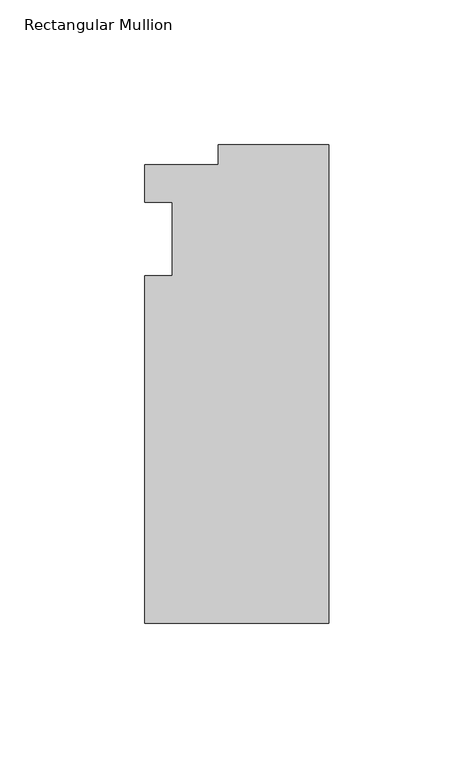
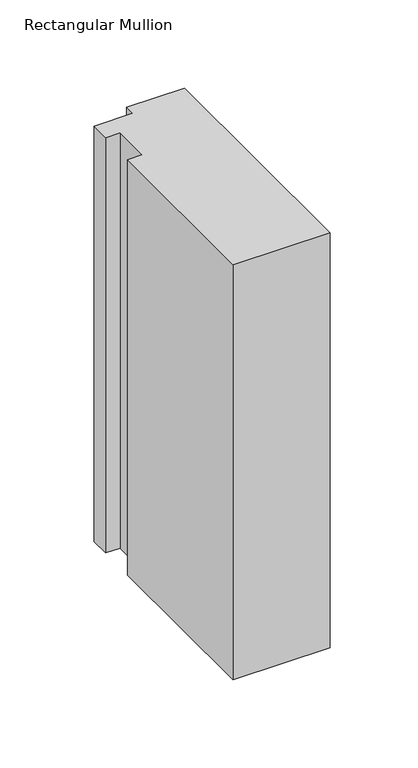
"""IFC4 building model written with IfcOpenShell, lengths in millimetres: member geometry, Rectangular Mullion."""

from ifc_helpers import new_model, si_unit, frame, origin, place, context, project, spatial, polyline, outline, extrude, source, transform, mapped, element, save


def rectangular_mullion_8927c458(model_context):
    return source(origin(), model_context, "Body", "SweptSolid", [
        extrude(outline(polyline([(-38.1, 32.54375), (0.0, 32.54375), (0.0, -132.55625), (-63.5, -132.55625), (-63.5, -12.7), (-53.975, -12.7), (-53.975, 12.7), (-63.5, 12.7), (-63.5, 25.58415), (-38.1, 25.58415), (-38.1, 32.54375)])), frame((0.0, 0.0, -287.8666667), z_axis=(0.0, 0.0, 1.0), x_axis=(1.0, 0.0, 0.0)), (0.0, 0.0, 1.0), 287.8666667),
    ])


if __name__ == "__main__":
    model = new_model("IFC4")
    model_context = context("Model", 3, world=origin())
    ifc_project = project(units=[si_unit("LENGTHUNIT", "METRE", prefix="MILLI")], contexts=[model_context])
    site = spatial("IfcSite", under=ifc_project)
    building = spatial("IfcBuilding", under=site)
    placement = place(None, origin())
    rectangular_mullion_shape = rectangular_mullion_8927c458(model_context)
    element("IfcMember", 1, ObjectType="Rectangular Mullion", at=placement, inside=building, context=model_context, shape_type="MappedRepresentation", body=[
        mapped(rectangular_mullion_shape, transform((0.0, 0.0, 0.0), x_axis=(1.0, 0.0, 0.0), y_axis=(0.0, 1.0, 0.0), z_axis=(0.0, 0.0, 1.0))),
    ])
    save(model, "model.ifc")
